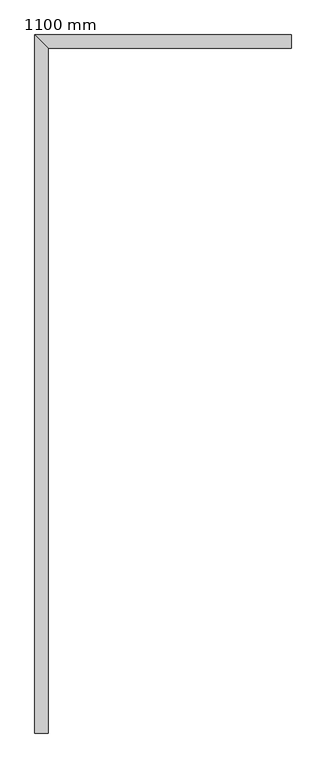
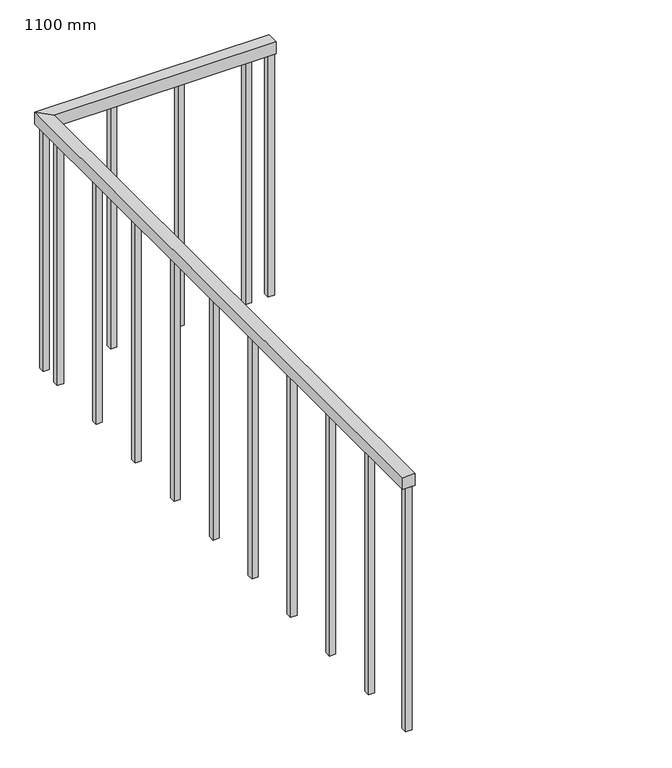
"""IFC4 building model written with IfcOpenShell, lengths in millimetres: railing geometry, 1100 mm."""

from ifc_helpers import new_model, si_unit, frame, origin, place, context, project, spatial, polyline, outline, extrude, faceted_brep, source, transform, mapped, element, save


def railing_1100_mm_ec943f42(model_context):
    return source(origin(), model_context, "Body", "SolidModel", [
        faceted_brep([(-596.3333557, -197.5476232, 5300.0), (-646.3333557, -197.5476232, 5300.0), (-646.3333557, -197.5476232, 5250.0), (-596.3333557, -197.5476232, 5250.0), (-596.3333557, 2352.4523768, 5300.0), (-646.3333557, 2402.4523768, 5300.0), (-646.3333557, 2402.4523768, 5250.0), (-596.3333557, 2352.4523768, 5250.0), (309.5275333, 2352.4523768, 5300.0), (309.5275333, 2352.4523768, 5250.0), (309.5275333, 2402.4523768, 5250.0), (309.5275333, 2402.4523768, 5300.0)], [[[0, 1, 2, 3]], [[1, 0, 4, 5]], [[2, 1, 5, 6]], [[3, 2, 6, 7]], [[0, 3, 7, 4]], [[8, 9, 10, 11]], [[5, 4, 8, 11]], [[6, 5, 11, 10]], [[7, 6, 10, 9]], [[4, 7, 9, 8]]]),
        extrude(outline(polyline([(191.1666443, 2364.9523768), (191.1666443, 2389.9523768), (216.1666443, 2389.9523768), (216.1666443, 2364.9523768), (191.1666443, 2364.9523768)])), frame((0.0, 0.0, 4200.0), z_axis=(0.0, 0.0, 1.0), x_axis=(1.0, 0.0, 0.0)), (0.0, 0.0, 1.0), 1050.0),
        extrude(outline(polyline([(-83.8333557, 2364.9523768), (-83.8333557, 2389.9523768), (-58.8333557, 2389.9523768), (-58.8333557, 2364.9523768), (-83.8333557, 2364.9523768)])), frame((0.0, 0.0, 4200.0), z_axis=(0.0, 0.0, 1.0), x_axis=(1.0, 0.0, 0.0)), (0.0, 0.0, 1.0), 1050.0),
        extrude(outline(polyline([(-358.8333557, 2364.9523768), (-358.8333557, 2389.9523768), (-333.8333557, 2389.9523768), (-333.8333557, 2364.9523768), (-358.8333557, 2364.9523768)])), frame((0.0, 0.0, 4200.0), z_axis=(0.0, 0.0, 1.0), x_axis=(1.0, 0.0, 0.0)), (0.0, 0.0, 1.0), 1050.0),
        extrude(outline(polyline([(-608.8333557, 2264.9523768), (-633.8333557, 2264.9523768), (-633.8333557, 2289.9523768), (-608.8333557, 2289.9523768), (-608.8333557, 2264.9523768)])), frame((0.0, 0.0, 4200.0), z_axis=(0.0, 0.0, 1.0), x_axis=(1.0, 0.0, 0.0)), (0.0, 0.0, 1.0), 1050.0),
        extrude(outline(polyline([(-608.8333557, 1989.9523768), (-633.8333557, 1989.9523768), (-633.8333557, 2014.9523768), (-608.8333557, 2014.9523768), (-608.8333557, 1989.9523768)])), frame((0.0, 0.0, 4200.0), z_axis=(0.0, 0.0, 1.0), x_axis=(1.0, 0.0, 0.0)), (0.0, 0.0, 1.0), 1050.0),
        extrude(outline(polyline([(-608.8333557, 1714.9523768), (-633.8333557, 1714.9523768), (-633.8333557, 1739.9523768), (-608.8333557, 1739.9523768), (-608.8333557, 1714.9523768)])), frame((0.0, 0.0, 4200.0), z_axis=(0.0, 0.0, 1.0), x_axis=(1.0, 0.0, 0.0)), (0.0, 0.0, 1.0), 1050.0),
        extrude(outline(polyline([(-608.8333557, 1439.9523768), (-633.8333557, 1439.9523768), (-633.8333557, 1464.9523768), (-608.8333557, 1464.9523768), (-608.8333557, 1439.9523768)])), frame((0.0, 0.0, 4200.0), z_axis=(0.0, 0.0, 1.0), x_axis=(1.0, 0.0, 0.0)), (0.0, 0.0, 1.0), 1050.0),
        extrude(outline(polyline([(-608.8333557, 1164.9523768), (-633.8333557, 1164.9523768), (-633.8333557, 1189.9523768), (-608.8333557, 1189.9523768), (-608.8333557, 1164.9523768)])), frame((0.0, 0.0, 4200.0), z_axis=(0.0, 0.0, 1.0), x_axis=(1.0, 0.0, 0.0)), (0.0, 0.0, 1.0), 1050.0),
        extrude(outline(polyline([(-608.8333557, 889.9523768), (-633.8333557, 889.9523768), (-633.8333557, 914.9523768), (-608.8333557, 914.9523768), (-608.8333557, 889.9523768)])), frame((0.0, 0.0, 4200.0), z_axis=(0.0, 0.0, 1.0), x_axis=(1.0, 0.0, 0.0)), (0.0, 0.0, 1.0), 1050.0),
        extrude(outline(polyline([(-608.8333557, 614.9523768), (-633.8333557, 614.9523768), (-633.8333557, 639.9523768), (-608.8333557, 639.9523768), (-608.8333557, 614.9523768)])), frame((0.0, 0.0, 4200.0), z_axis=(0.0, 0.0, 1.0), x_axis=(1.0, 0.0, 0.0)), (0.0, 0.0, 1.0), 1050.0),
        extrude(outline(polyline([(-608.8333557, 339.9523768), (-633.8333557, 339.9523768), (-633.8333557, 364.9523768), (-608.8333557, 364.9523768), (-608.8333557, 339.9523768)])), frame((0.0, 0.0, 4200.0), z_axis=(0.0, 0.0, 1.0), x_axis=(1.0, 0.0, 0.0)), (0.0, 0.0, 1.0), 1050.0),
        extrude(outline(polyline([(-608.8333557, 64.9523768), (-633.8333557, 64.9523768), (-633.8333557, 89.9523768), (-608.8333557, 89.9523768), (-608.8333557, 64.9523768)])), frame((0.0, 0.0, 4200.0), z_axis=(0.0, 0.0, 1.0), x_axis=(1.0, 0.0, 0.0)), (0.0, 0.0, 1.0), 1050.0),
        extrude(outline(polyline([(-608.8333557, 2364.9523768), (-633.8333557, 2364.9523768), (-633.8333557, 2389.9523768), (-608.8333557, 2389.9523768), (-608.8333557, 2364.9523768)])), frame((0.0, 0.0, 4200.0), z_axis=(0.0, 0.0, 1.0), x_axis=(1.0, 0.0, 0.0)), (0.0, 0.0, 1.0), 1050.0),
        extrude(outline(polyline([(284.5275333, 2364.9523768), (284.5275333, 2389.9523768), (309.5275333, 2389.9523768), (309.5275333, 2364.9523768), (284.5275333, 2364.9523768)])), frame((0.0, 0.0, 4200.0), z_axis=(0.0, 0.0, 1.0), x_axis=(1.0, 0.0, 0.0)), (0.0, 0.0, 1.0), 1050.0),
        extrude(outline(polyline([(-608.8333557, -197.5476232), (-633.8333557, -197.5476232), (-633.8333557, -172.5476232), (-608.8333557, -172.5476232), (-608.8333557, -197.5476232)])), frame((0.0, 0.0, 4200.0), z_axis=(0.0, 0.0, 1.0), x_axis=(1.0, 0.0, 0.0)), (0.0, 0.0, 1.0), 1050.0),
    ])


if __name__ == "__main__":
    model = new_model("IFC4")
    model_context = context("Model", 3, world=origin())
    ifc_project = project(units=[si_unit("LENGTHUNIT", "METRE", prefix="MILLI")], contexts=[model_context])
    site = spatial("IfcSite", under=ifc_project)
    building = spatial("IfcBuilding", under=site)
    placement = place(None, origin())
    railing_1100_mm_shape = railing_1100_mm_ec943f42(model_context)
    element("IfcRailing", 1, ObjectType="1100 mm", at=placement, inside=building, context=model_context, shape_type="MappedRepresentation", body=[
        mapped(railing_1100_mm_shape, transform((0.0, 0.0, 0.0), x_axis=(1.0, 0.0, 0.0), y_axis=(0.0, 1.0, 0.0), z_axis=(0.0, 0.0, 1.0))),
    ])
    save(model, "model.ifc")
